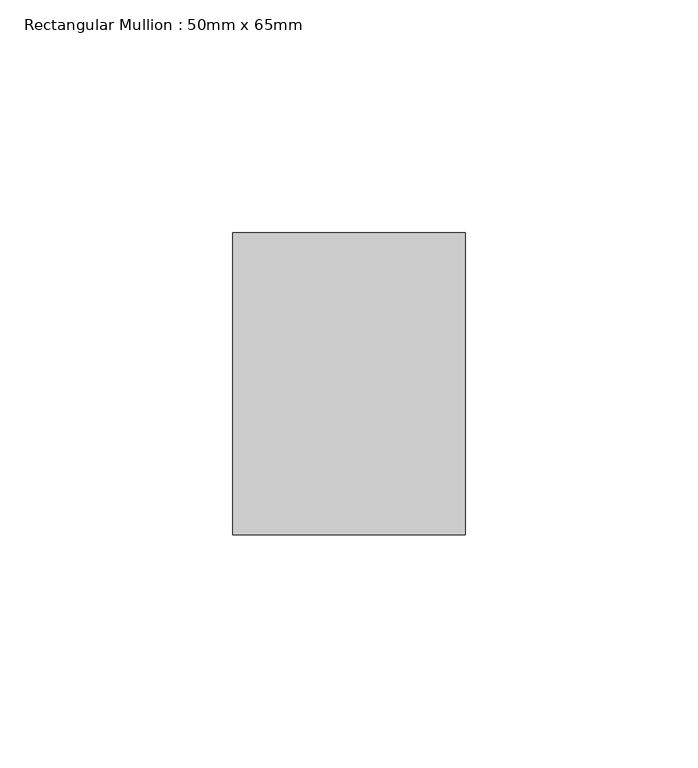
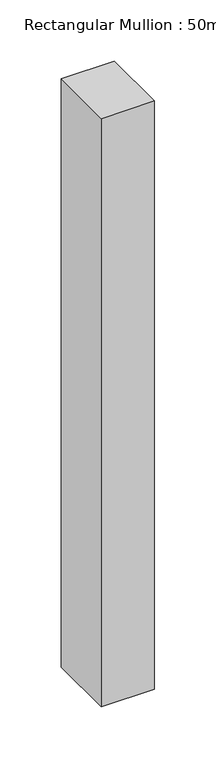
"""IFC4 building model written with IfcOpenShell, lengths in millimetres: member geometry, Rectangular Mullion : 50mm x 65mm."""

from ifc_helpers import new_model, si_unit, frame, origin, place, context, project, spatial, polyline, outline, extrude, source, transform, mapped, element, save


def rectangular_mullion_50mm_x_65mm_8cdb7a87(model_context):
    return source(origin(), model_context, "Body", "SweptSolid", [
        extrude(outline(polyline([(25.0, 32.5), (25.0, -32.5), (-25.0, -32.5), (-25.0, 32.5), (25.0, 32.5)])), frame((0.0, 0.0, -585.2033764), z_axis=(0.0, 0.0, 1.0), x_axis=(1.0, 0.0, 0.0)), (0.0, 0.0, 1.0), 585.2033764),
    ])


if __name__ == "__main__":
    model = new_model("IFC4")
    model_context = context("Model", 3, world=origin())
    ifc_project = project(units=[si_unit("LENGTHUNIT", "METRE", prefix="MILLI")], contexts=[model_context])
    site = spatial("IfcSite", under=ifc_project)
    building = spatial("IfcBuilding", under=site)
    placement = place(None, origin())
    rectangular_mullion_50mm_x_65mm_shape = rectangular_mullion_50mm_x_65mm_8cdb7a87(model_context)
    element("IfcMember", 1, ObjectType="Rectangular Mullion : 50mm x 65mm", at=placement, inside=building, context=model_context, shape_type="MappedRepresentation", body=[
        mapped(rectangular_mullion_50mm_x_65mm_shape, transform((0.0, 0.0, 0.0), x_axis=(1.0, 0.0, 0.0), y_axis=(0.0, 1.0, 0.0), z_axis=(0.0, 0.0, 1.0))),
    ])
    save(model, "model.ifc")
